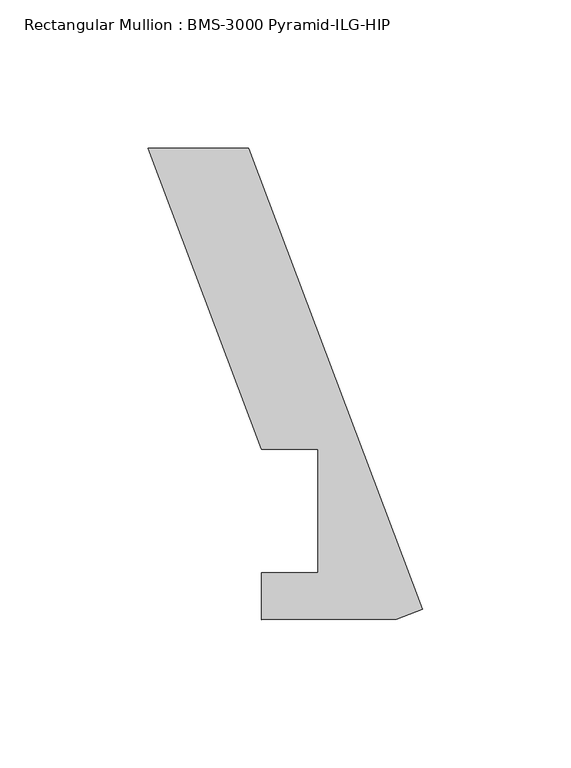
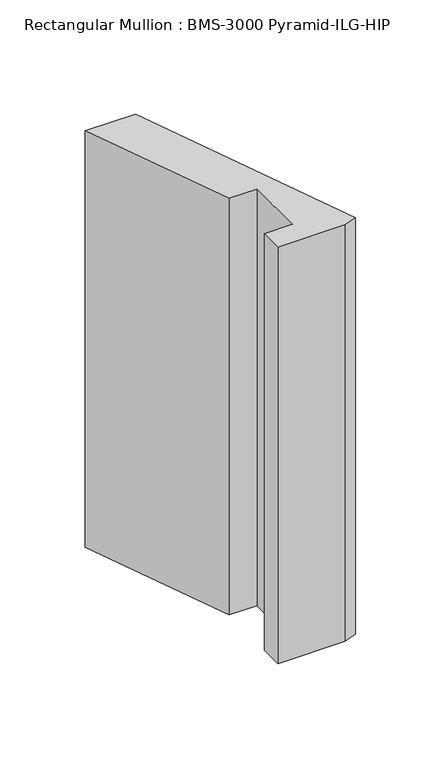
"""IFC4 building model written with IfcOpenShell, lengths in millimetres: member geometry, Rectangular Mullion : BMS-3000 Pyramid-ILG-HIP."""

from ifc_helpers import new_model, si_unit, frame, origin, place, context, project, spatial, polyline, outline, extrude, source, transform, mapped, element, save


def rectangular_mullion_bms_3000_pyramid_ilg_hip_6de1bd2f(model_context):
    return source(origin(), model_context, "Body", "SweptSolid", [
        extrude(outline(polyline([(-58.7866398, 155.5739504), (0.0, -0.0003776), (-8.9101044, -3.3672255), (-54.4267253, -3.5150841), (-54.4267253, 12.2855261), (-35.2866963, 12.3790627), (-35.2866963, 53.975), (-54.3366963, 53.975), (-92.7277404, 155.5739504), (-58.7866398, 155.5739504)])), frame((0.0, 0.0, -297.4112765), z_axis=(0.0, 0.0, 1.0), x_axis=(1.0, 0.0, 0.0)), (0.0, 0.0, 1.0), 297.4112765),
    ])


if __name__ == "__main__":
    model = new_model("IFC4")
    model_context = context("Model", 3, world=origin())
    ifc_project = project(units=[si_unit("LENGTHUNIT", "METRE", prefix="MILLI")], contexts=[model_context])
    site = spatial("IfcSite", under=ifc_project)
    building = spatial("IfcBuilding", under=site)
    placement = place(None, origin())
    rectangular_mullion_bms_3000_pyramid_ilg_hip_shape = rectangular_mullion_bms_3000_pyramid_ilg_hip_6de1bd2f(model_context)
    element("IfcMember", 1, ObjectType="Rectangular Mullion : BMS-3000 Pyramid-ILG-HIP", at=placement, inside=building, context=model_context, shape_type="MappedRepresentation", body=[
        mapped(rectangular_mullion_bms_3000_pyramid_ilg_hip_shape, transform((0.0, 0.0, 0.0), x_axis=(1.0, 0.0, 0.0), y_axis=(0.0, 1.0, 0.0), z_axis=(0.0, 0.0, 1.0))),
    ])
    save(model, "model.ifc")
